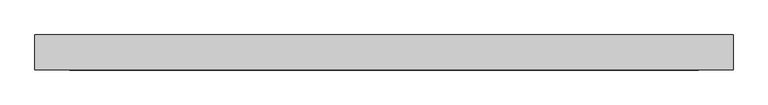
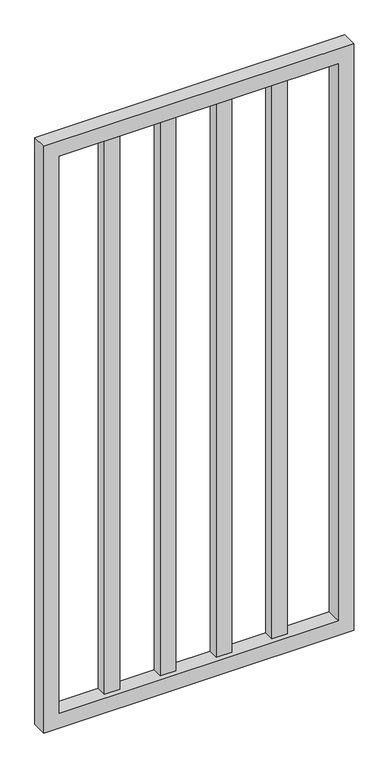
"""IFC4 building model written with IfcOpenShell, lengths in millimetres: proxy geometry."""

from ifc_helpers import new_model, si_unit, frame, origin, place, context, project, spatial, polyline, outline, extrude, source, transform, mapped, element, save


def generic_models_219b92e7(model_context):
    return source(origin(), model_context, "Body", "SweptSolid", [
        extrude(outline(polyline([(1135.38, 76.2), (1211.58, 76.2), (1211.58, 25.4), (1135.38, 25.4), (1135.38, 76.2)])), frame((0.0, 0.0, 76.2), z_axis=(0.0, 0.0, 1.0), x_axis=(1.0, 0.0, 0.0)), (0.0, 0.0, 1.0), 2895.6),
        extrude(outline(polyline([(861.06, 76.2), (937.26, 76.2), (937.26, 25.4), (861.06, 25.4), (861.06, 76.2)])), frame((0.0, 0.0, 76.2), z_axis=(0.0, 0.0, 1.0), x_axis=(1.0, 0.0, 0.0)), (0.0, 0.0, 1.0), 2895.6),
        extrude(outline(polyline([(586.74, 76.2), (662.94, 76.2), (662.94, 25.4), (586.74, 25.4), (586.74, 76.2)])), frame((0.0, 0.0, 76.2), z_axis=(0.0, 0.0, 1.0), x_axis=(1.0, 0.0, 0.0)), (0.0, 0.0, 1.0), 2895.6),
        extrude(outline(polyline([(312.42, 76.2), (388.62, 76.2), (388.62, 25.4), (312.42, 25.4), (312.42, 76.2)])), frame((0.0, 0.0, 76.2), z_axis=(0.0, 0.0, 1.0), x_axis=(1.0, 0.0, 0.0)), (0.0, 0.0, 1.0), 2895.6),
        extrude(outline(polyline([(0.0, 0.0), (0.0, 1524.0), (3048.0, 1524.0), (3048.0, 0.0), (0.0, 0.0)]), holes=[polyline([(76.2, 76.2), (2971.8, 76.2), (2971.8, 1447.8), (76.2, 1447.8), (76.2, 76.2)])]), frame((0.0, 0.0, 0.0), z_axis=(0.0, 1.0, 0.0), x_axis=(0.0, 0.0, 1.0)), (0.0, 0.0, 1.0), 76.2),
    ])


if __name__ == "__main__":
    model = new_model("IFC4")
    model_context = context("Model", 3, world=origin())
    ifc_project = project(units=[si_unit("LENGTHUNIT", "METRE", prefix="MILLI")], contexts=[model_context])
    site = spatial("IfcSite", under=ifc_project)
    building = spatial("IfcBuilding", under=site)
    placement = place(None, origin())
    generic_models_shape = generic_models_219b92e7(model_context)
    element("IfcBuildingElementProxy", 1, Name="Generic Models", at=placement, inside=building, context=model_context, shape_type="MappedRepresentation", body=[
        mapped(generic_models_shape, transform((0.0, 0.0, 0.0), x_axis=(1.0, 0.0, 0.0), y_axis=(0.0, 1.0, 0.0), z_axis=(0.0, 0.0, 1.0))),
    ])
    save(model, "model.ifc")
